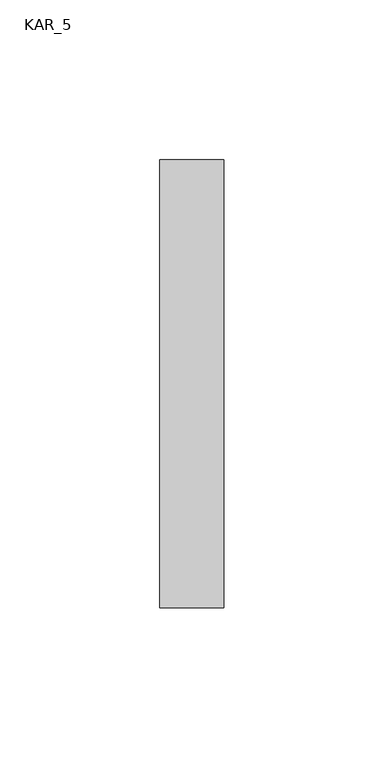
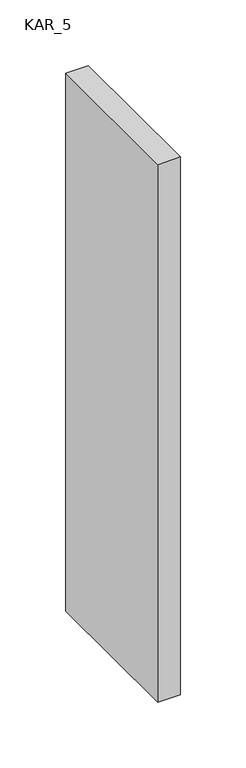
"""IFC4 building model written with IfcOpenShell, lengths in millimetres: proxy geometry, KAR_5."""

from ifc_helpers import new_model, si_unit, frame, origin, place, context, project, spatial, polyline, outline, extrude, source, transform, mapped, element, save


def kar_5_a7569dae(model_context):
    return source(origin(), model_context, "Body", "SweptSolid", [
        extrude(outline(polyline([(20.0, 140.0), (20.0, 0.0), (0.0, 0.0), (0.0, 140.0), (20.0, 140.0)])), frame((0.0, 0.0, 1900.0), z_axis=(0.0, 0.0, 1.0), x_axis=(1.0, 0.0, 0.0)), (0.0, 0.0, 1.0), 500.0),
    ])


if __name__ == "__main__":
    model = new_model("IFC4")
    model_context = context("Model", 3, world=origin())
    ifc_project = project(units=[si_unit("LENGTHUNIT", "METRE", prefix="MILLI")], contexts=[model_context])
    site = spatial("IfcSite", under=ifc_project)
    building = spatial("IfcBuilding", under=site)
    placement = place(None, origin())
    kar_5_shape = kar_5_a7569dae(model_context)
    element("IfcBuildingElementProxy", 1, Name="KAR_5", ObjectType="KAR_5", at=placement, inside=building, context=model_context, shape_type="MappedRepresentation", body=[
        mapped(kar_5_shape, transform((0.0, 0.0, 0.0), x_axis=(1.0, 0.0, 0.0), y_axis=(0.0, 1.0, 0.0), z_axis=(0.0, 0.0, 1.0))),
    ])
    save(model, "model.ifc")
